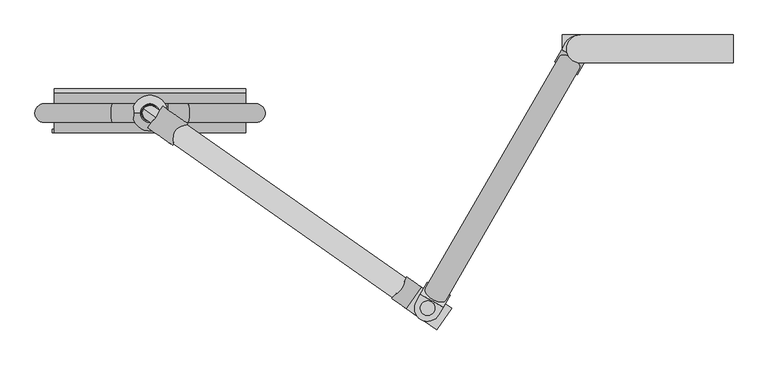
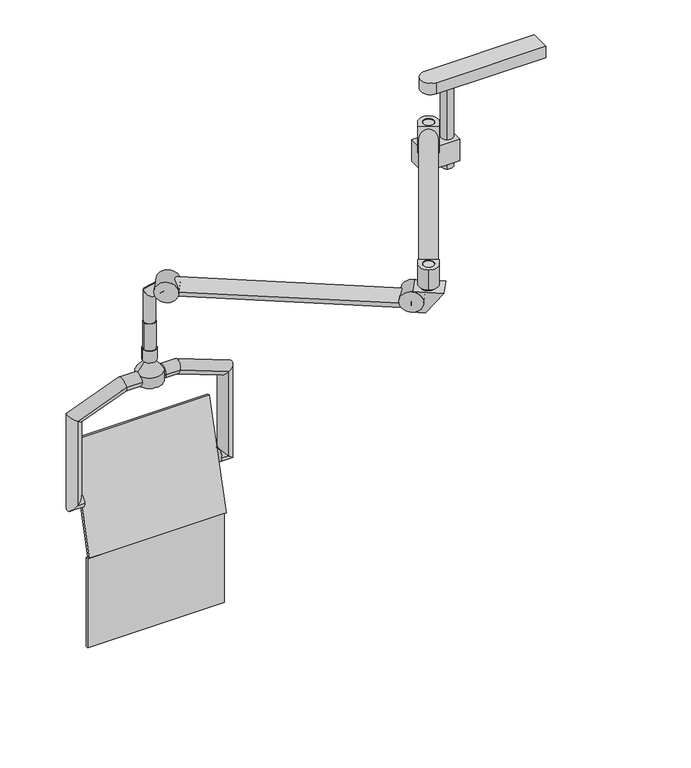
"""IFC4 building model written with IfcOpenShell, lengths in millimetres: proxy geometry."""

import ifcopenshell
import ifcopenshell.guid

model = None  # the IFC model being written
_history = None  # IfcOwnerHistory: only IFC2X3 demands one
_inside = {}  # id of a spatial element -> (the spatial element, [elements in it])
_under = {}  # id of a project, library or spatial element -> (it, [spatial elements below it])
_declared = {}  # id of a project -> (the project, [libraries it declares])
_typed = {}  # id of a type object -> (the type object, [elements of that type])
_made_of = {}  # id of a material, layer set ... -> (it, [elements and type objects made of it])


def new_model(schema):
    """Start an empty IFC model of exactly this schema.

    Asked for "IFC4X3", IfcOpenShell would pick the latest addendum, in which some entities
    have other attributes; the version numbers below select the first issue.
    IFC2X3 requires an IfcOwnerHistory on every rooted entity: one is made here for all.
    """
    global model, _history
    if schema == "IFC4X3":
        model = ifcopenshell.file(schema_version=(4, 3, 0, 0))
    else:
        model = ifcopenshell.file(schema=schema)
    _inside.clear()
    _under.clear()
    _declared.clear()
    _typed.clear()
    _made_of.clear()
    _history = None
    if model.schema == "IFC2X3":
        org = make("IfcOrganization", Name="unknown")
        user = make(
            "IfcPersonAndOrganization",
            ThePerson=make("IfcPerson", FamilyName="unknown"),
            TheOrganization=org,
        )
        app = make(
            "IfcApplication",
            ApplicationDeveloper=org,
            Version="unknown",
            ApplicationFullName="unknown",
            ApplicationIdentifier="unknown",
        )
        _history = make(
            "IfcOwnerHistory",
            OwningUser=user,
            OwningApplication=app,
            ChangeAction="ADDED",
            CreationDate=0,
        )
    return model


def make(cls, **values):
    """One entity of the class cls with the attributes given. An attribute that is None is left unset."""
    return model.create_entity(
        cls, **{name: value for name, value in values.items() if value is not None}
    )


def rooted(cls, **values):
    """An entity with a GlobalId (a new one), such as an element, a storey or a relation."""
    return make(cls, GlobalId=ifcopenshell.guid.new(), OwnerHistory=_history, **values)


def si_unit(unit_type, name, prefix=None):
    """IfcSIUnit, for example si_unit("LENGTHUNIT", "METRE", prefix="MILLI")."""
    return make("IfcSIUnit", UnitType=unit_type, Prefix=prefix, Name=name)


def assignment(units):
    """IfcUnitAssignment: the units of a project."""
    return None if units is None else make("IfcUnitAssignment", Units=units)


def point(xyz):
    """IfcCartesianPoint."""
    return None if xyz is None else make("IfcCartesianPoint", Coordinates=xyz)


def direction(xyz):
    """IfcDirection."""
    return None if xyz is None else make("IfcDirection", DirectionRatios=xyz)


def frame(location, z_axis=None, x_axis=None):
    """IfcAxis2Placement3D, a coordinate frame: its origin and axes. An axis left out is left unset."""
    return make(
        "IfcAxis2Placement3D",
        Location=point(location),
        Axis=direction(z_axis),
        RefDirection=direction(x_axis),
    )


def frame_2d(location, x_axis=None):
    """IfcAxis2Placement2D, a coordinate frame in the plane: its origin and x axis."""
    return make(
        "IfcAxis2Placement2D", Location=point(location), RefDirection=direction(x_axis)
    )


def origin():
    """The frame at (0, 0, 0) with its axes left unset."""
    return frame((0.0, 0.0, 0.0))


def place(relative_to, where):
    """IfcLocalPlacement: puts the frame where relative to a parent placement (None: the world)."""
    return make(
        "IfcLocalPlacement", PlacementRelTo=relative_to, RelativePlacement=where
    )


def context(
    kind, dimensions, precision=None, world=None, true_north=None, identifier=None
):
    """IfcGeometricRepresentationContext, for example the 3D "Model" context."""
    return make(
        "IfcGeometricRepresentationContext",
        ContextIdentifier=identifier,
        ContextType=kind,
        CoordinateSpaceDimension=dimensions,
        Precision=precision,
        WorldCoordinateSystem=world,
        TrueNorth=true_north,
    )


def project(units=None, contexts=None):
    """IfcProject with its units and contexts."""
    return rooted(
        "IfcProject",
        Name="project",
        RepresentationContexts=contexts,
        UnitsInContext=assignment(units),
    )


def spatial(cls, under=None, at=None, **own):
    """A site, building, storey or space (cls), placed at a placement, below another one or the project."""
    s = rooted(cls, ObjectPlacement=at, **own)
    if under is not None:
        _under.setdefault(under.id(), (under, []))[1].append(s)
    return s


def polyline(points):
    """IfcPolyline through the points."""
    return make("IfcPolyline", Points=[point(p) for p in points])


def circle_curve(where, radius):
    """IfcCircle in the frame where."""
    return make("IfcCircle", Position=where, Radius=radius)


def ellipse_curve(where, semi_axis1, semi_axis2):
    """IfcEllipse in the frame where."""
    return make(
        "IfcEllipse", Position=where, SemiAxis1=semi_axis1, SemiAxis2=semi_axis2
    )


def trimmed(basis, trim1, trim2, sense, master):
    """IfcTrimmedCurve: the piece of a basis curve between two trims."""
    return make(
        "IfcTrimmedCurve",
        BasisCurve=basis,
        Trim1=trim1,
        Trim2=trim2,
        SenseAgreement=sense,
        MasterRepresentation=master,
    )


def segment(curve, same_sense, transition):
    """IfcCompositeCurveSegment."""
    return make(
        "IfcCompositeCurveSegment",
        Transition=transition,
        SameSense=same_sense,
        ParentCurve=curve,
    )


def composite_curve(segments, self_intersect=None):
    """IfcCompositeCurve: segments joined end to end."""
    return make("IfcCompositeCurve", Segments=segments, SelfIntersect=self_intersect)


def outline(outer, holes=None, kind="AREA"):
    """IfcArbitraryClosedProfileDef: a profile drawn as a closed curve; with holes, ...WithVoids."""
    if holes is None:
        return make("IfcArbitraryClosedProfileDef", ProfileType=kind, OuterCurve=outer)
    return make(
        "IfcArbitraryProfileDefWithVoids",
        ProfileType=kind,
        OuterCurve=outer,
        InnerCurves=holes,
    )


def extrude(swept, where, along, depth):
    """IfcExtrudedAreaSolid: the profile swept, set in the frame where, extruded along a direction by depth."""
    return make(
        "IfcExtrudedAreaSolid",
        SweptArea=swept,
        Position=where,
        ExtrudedDirection=direction(along),
        Depth=depth,
    )


def shape(context_of_items, identifier, shape_type, items):
    """IfcShapeRepresentation: the items that make up one representation, for example the "Body"."""
    return make(
        "IfcShapeRepresentation",
        ContextOfItems=context_of_items,
        RepresentationIdentifier=identifier,
        RepresentationType=shape_type,
        Items=items,
    )


def source(mapping_origin, context_of_items, identifier, shape_type, items):
    """IfcRepresentationMap: a shape defined once, which mapped items show again and again."""
    return make(
        "IfcRepresentationMap",
        MappingOrigin=mapping_origin,
        MappedRepresentation=shape(context_of_items, identifier, shape_type, items),
    )


def transform(
    local_origin,
    x_axis=None,
    y_axis=None,
    z_axis=None,
    scale=None,
    scale2=None,
    scale3=None,
    uniform=True,
):
    """IfcCartesianTransformationOperator3D, or its non-uniform kind. x_axis, y_axis, z_axis: its Axis1, 2, 3."""
    if uniform:
        return make(
            "IfcCartesianTransformationOperator3D",
            Axis1=direction(x_axis),
            Axis2=direction(y_axis),
            LocalOrigin=point(local_origin),
            Scale=scale,
            Axis3=direction(z_axis),
        )
    return make(
        "IfcCartesianTransformationOperator3DnonUniform",
        Axis1=direction(x_axis),
        Axis2=direction(y_axis),
        LocalOrigin=point(local_origin),
        Scale=scale,
        Axis3=direction(z_axis),
        Scale2=scale2,
        Scale3=scale3,
    )


def mapped(mapping_source, mapping_target):
    """IfcMappedItem: shows the shape of a source again, moved by a transform."""
    return make(
        "IfcMappedItem", MappingSource=mapping_source, MappingTarget=mapping_target
    )


def made_of(thing, what):
    """Note that an element or type object is made of a material, layer set ...; save() writes the relation."""
    if what is not None:
        _made_of.setdefault(what.id(), (what, []))[1].append(thing)
    return thing


def element(
    cls,
    number,
    at=None,
    inside=None,
    cuts=None,
    type_object=None,
    material=None,
    context=None,
    identifier="Body",
    shape_type=None,
    held_by="IfcProductDefinitionShape",
    body=None,
    shapes=None,
    **own,
):
    """One element of the class cls, such as IfcWall. Its Tag is "e" and its number.

    at: its placement. inside: the storey or other place that contains it. cuts: it is an
    opening in that element (IfcRelVoidsElement). A single representation is given by context,
    identifier, shape_type and body (its items); several are given by shapes. held_by: the class
    of the entity that holds the representations. save() writes the other relations.
    """
    e = rooted(cls, Tag="e%d" % number, ObjectPlacement=at, **own)
    if body is not None:
        shapes = [shape(context, identifier, shape_type, body)]
    if shapes is not None:
        e.Representation = make(held_by, Representations=shapes)
    if inside is not None:
        _inside.setdefault(inside.id(), (inside, []))[1].append(e)
    if cuts is not None:
        rooted(
            "IfcRelVoidsElement", RelatingBuildingElement=cuts, RelatedOpeningElement=e
        )
    if type_object is not None:
        _typed.setdefault(type_object.id(), (type_object, []))[1].append(e)
    return made_of(e, material)


def aggregate(whole, parts):
    """IfcRelAggregates: a whole, such as a stair, and the parts it consists of."""
    return rooted("IfcRelAggregates", RelatingObject=whole, RelatedObjects=parts)


def save(model, path):
    """Write the relations noted so far, then the file.

    IfcRelAggregates (storeys below a building ...), IfcRelContainedInSpatialStructure (elements
    in a storey), IfcRelDefinesByType, IfcRelAssociatesMaterial and IfcRelDeclares: one each for
    every whole, place, type object, material and project.
    """
    for whole, parts in _under.values():
        aggregate(whole, parts)
    for where, things in _inside.values():
        rooted(
            "IfcRelContainedInSpatialStructure",
            RelatedElements=things,
            RelatingStructure=where,
        )
    for kind, things in _typed.values():
        rooted("IfcRelDefinesByType", RelatedObjects=things, RelatingType=kind)
    for what, things in _made_of.values():
        rooted("IfcRelAssociatesMaterial", RelatedObjects=things, RelatingMaterial=what)
    for by, libraries in _declared.values():
        rooted("IfcRelDeclares", RelatingContext=by, RelatedDefinitions=libraries)
    model.write(path)


def plane_surface(at):
    """IfcPlane: the flat surface through the origin of the frame at, square to its z axis."""
    return make("IfcPlane", Position=at)


def cylinder_surface(at, radius):
    """IfcCylindricalSurface: all points at the distance radius from the z axis of the frame at."""
    return make("IfcCylindricalSurface", Position=at, Radius=radius)


def revolved_surface(curve, axis_point, axis_direction):
    """IfcSurfaceOfRevolution: the curve turned about the line through axis_point along axis_direction."""
    return make(
        "IfcSurfaceOfRevolution",
        SweptCurve=make("IfcArbitraryOpenProfileDef", ProfileType="CURVE", Curve=curve),
        AxisPosition=make("IfcAxis1Placement", Location=point(axis_point), Axis=direction(axis_direction)),
    )


def advanced_brep(points, edges, surfaces, faces):
    """IfcAdvancedBrep: a solid bounded by faces that lie on surfaces and meet in shared edges.

    An edge is (start, end): straight between two places in points (the first is 0);
    or (start, end, curve); or (start, end, curve, False) where it runs against its curve.
    A face is (place in surfaces, loops), or (place, loops, False) where it looks against
    its surface's normal. A loop lists edges by number (the first is 1), with a minus sign
    where the edge is run from its end to its start. The first loop is the outer one.
    """
    corners = [point(p) for p in points]
    vertices = [make("IfcVertexPoint", VertexGeometry=c) for c in corners]
    made = []
    for start, end, *more in edges:
        made.append(
            make(
                "IfcEdgeCurve",
                EdgeStart=vertices[start],
                EdgeEnd=vertices[end],
                EdgeGeometry=more[0] if more else make("IfcPolyline", Points=[corners[start], corners[end]]),
                SameSense=more[1] if len(more) > 1 else True,
            )
        )
    hull = []
    for where, loops, *sense in faces:
        bounds = []
        for j, loop in enumerate(loops):
            ring = [make("IfcOrientedEdge", EdgeElement=made[abs(k) - 1], Orientation=k > 0) for k in loop]
            bounds.append(
                make(
                    "IfcFaceOuterBound" if j == 0 else "IfcFaceBound",
                    Bound=make("IfcEdgeLoop", EdgeList=ring),
                    Orientation=True,
                )
            )
        hull.append(make("IfcAdvancedFace", Bounds=bounds, FaceSurface=surfaces[where], SameSense=sense[0] if sense else True))
    return make("IfcAdvancedBrep", Outer=make("IfcClosedShell", CfsFaces=hull))


def specialty_equipment_1f62dfb1(model_context):
    return source(origin(), model_context, "Body", "SolidModel", [
        extrude(outline(polyline([(-1308.5498803, -214.0929718), (-1308.5498803, -224.0929718), (-1820.277121, -224.0929718), (-1820.277121, -214.0929718), (-1308.5498803, -214.0929718)])), frame((0.0, 0.0, 1187.1960322), z_axis=(0.0, 0.0, 1.0), x_axis=(1.0, 0.0, 0.0)), (0.0, 0.0, 1.0), 351.9023414),
        extrude(outline(polyline([(-106.9189718, 1937.7690322), (-213.741259, 1539.0983737), (-224.0929718, 1539.0983737), (-116.5772657, 1940.3569354), (-106.9189718, 1937.7690322)])), frame((-1814.2235333, 0.0, 0.0), z_axis=(1.0, 0.0, 0.0), x_axis=(0.0, 1.0, 0.0)), (0.0, 0.0, 1.0), 511.4259107),
        advanced_brep(
        [(-1815.0116282, -196.4088944, 1739.5010997), (-1815.0116282, -146.4088944, 1739.5010997), (-1841.0777611, -196.4088944, 1739.5010997), (-1841.0777611, -146.4088944, 1739.5010997), (-1841.0777611, -196.4088944, 2072.6198496), (-1841.0777611, -146.4088944, 2072.6198496), (-1659.029578, -196.4088944, 2142.5015997), (-1659.029578, -146.4088944, 2142.5015997), (-1511.010578, -196.4088944, 2142.5015997), (-1511.010578, -146.4088944, 2142.5015997), (-1457.991578, -196.4088944, 2142.5015997), (-1457.991578, -146.4088944, 2142.5015997), (-1275.9433948, -196.4088944, 2072.6198496), (-1275.9433948, -146.4088944, 2072.6198496), (-1275.9433948, -196.4088944, 1739.5010997), (-1275.9433948, -146.4088944, 1739.5010997), (-1302.0095277, -196.4088944, 1739.5010997), (-1302.0095277, -146.4088944, 1739.5010997)],
        [
            (0, 1, circle_curve(frame((-1815.0116282, -171.4088944, 1739.5010997), z_axis=(1.0, 0.0, 0.0), x_axis=(0.0, 1.0, 0.0)), 25.0)),
            (1, 0, circle_curve(frame((-1815.0116282, -171.4088944, 1739.5010997), z_axis=(1.0, 0.0, 0.0), x_axis=(0.0, 1.0, 0.0)), 25.0)),
            (0, 2),
            (2, 3, ellipse_curve(frame((-1841.0777611, -171.4088944, 1739.5010997), z_axis=(0.7071067811865722, 0.0, -0.7071067811865229), x_axis=(0.7071067811865227, 0.0, 0.7071067811865723)), 35.3553391, 25.0)),
            (3, 1),
            (3, 2, ellipse_curve(frame((-1841.0777611, -171.4088944, 1739.5010997), z_axis=(0.7071067811865722, 0.0, -0.7071067811865229), x_axis=(0.7071067811865227, 0.0, 0.7071067811865723)), 35.3553391, 25.0)),
            (2, 4),
            (4, 5, ellipse_curve(frame((-1841.0777611, -171.4088944, 2072.6198496), z_axis=(-0.5664062369248045, 0.0, -0.824126188622035), x_axis=(0.824126188622035, 0.0, -0.5664062369248047)), 30.3351603, 25.0)),
            (5, 3),
            (5, 4, ellipse_curve(frame((-1841.0777611, -171.4088944, 2072.6198496), z_axis=(-0.5664062369248045, 0.0, -0.824126188622035), x_axis=(0.824126188622035, 0.0, -0.5664062369248047)), 30.3351603, 25.0)),
            (4, 6),
            (6, 7, ellipse_curve(frame((-1659.029578, -171.4088944, 2142.5015997), z_axis=(-0.9832549075639483, 0.0, -0.1822355254921815), x_axis=(0.1822355254921817, 0.0, -0.9832549075639483)), 25.4257566, 25.0)),
            (7, 5),
            (7, 6, ellipse_curve(frame((-1659.029578, -171.4088944, 2142.5015997), z_axis=(-0.9832549075639483, 0.0, -0.1822355254921815), x_axis=(0.1822355254921817, 0.0, -0.9832549075639483)), 25.4257566, 25.0)),
            (6, 8),
            (8, 9, circle_curve(frame((-1511.010578, -171.4088944, 2142.5015997), z_axis=(-1.0, 0.0, 0.0), x_axis=(0.0, 1.0, 0.0)), 25.0)),
            (9, 7),
            (9, 8, circle_curve(frame((-1511.010578, -171.4088944, 2142.5015997), z_axis=(-1.0, 0.0, 0.0), x_axis=(0.0, 1.0, 0.0)), 25.0)),
            (8, 10),
            (10, 11, ellipse_curve(frame((-1457.991578, -171.4088944, 2142.5015997), z_axis=(-0.9832549075639615, 0.0, 0.18223552549211058), x_axis=(-0.1822355254921099, 0.0, -0.9832549075639615)), 25.4257566, 25.0)),
            (11, 9),
            (11, 10, ellipse_curve(frame((-1457.991578, -171.4088944, 2142.5015997), z_axis=(-0.9832549075639615, 0.0, 0.18223552549211058), x_axis=(-0.1822355254921099, 0.0, -0.9832549075639615)), 25.4257566, 25.0)),
            (10, 12),
            (12, 13, ellipse_curve(frame((-1275.9433948, -171.4088944, 2072.6198496), z_axis=(-0.5664062369248606, 0.0, 0.8241261886219965), x_axis=(-0.8241261886219965, 0.0, -0.5664062369248606)), 30.3351603, 25.0)),
            (13, 11),
            (13, 12, ellipse_curve(frame((-1275.9433948, -171.4088944, 2072.6198496), z_axis=(-0.5664062369248606, 0.0, 0.8241261886219965), x_axis=(-0.8241261886219965, 0.0, -0.5664062369248606)), 30.3351603, 25.0)),
            (12, 14),
            (14, 15, ellipse_curve(frame((-1275.9433948, -171.4088944, 1739.5010997), z_axis=(0.7071067811865236, 0.0, 0.7071067811865713), x_axis=(-0.7071067811865712, 0.0, 0.7071067811865237)), 35.3553391, 25.0)),
            (15, 13),
            (15, 14, ellipse_curve(frame((-1275.9433948, -171.4088944, 1739.5010997), z_axis=(0.7071067811865236, 0.0, 0.7071067811865713), x_axis=(-0.7071067811865712, 0.0, 0.7071067811865237)), 35.3553391, 25.0)),
            (16, 17, circle_curve(frame((-1302.0095277, -171.4088944, 1739.5010997), z_axis=(-1.0, 0.0, 0.0), x_axis=(0.0, 1.0, 0.0)), 25.0)),
            (17, 16, circle_curve(frame((-1302.0095277, -171.4088944, 1739.5010997), z_axis=(-1.0, 0.0, 0.0), x_axis=(0.0, 1.0, 0.0)), 25.0)),
            (14, 16),
            (17, 15),
        ],
        [
            plane_surface(frame((-1815.0116282, -171.4088944, 1739.5010997), z_axis=(1.0, 0.0, 0.0), x_axis=(0.0, 1.0, 0.0))),
            cylinder_surface(frame((-1815.0116282, -171.4088944, 1739.5010997), z_axis=(1.0, 0.0, 0.0), x_axis=(0.0, 1.0, 0.0)), 25.0),
            cylinder_surface(frame((-1841.0777611, -171.4088944, 1739.5010997), z_axis=(0.0, 0.0, -1.0), x_axis=(0.0, 1.0, 0.0)), 25.0),
            cylinder_surface(frame((-1841.0777611, -171.4088944, 2072.6198496), z_axis=(-0.9335804264971899, 0.0, -0.358367949545335), x_axis=(0.0, 1.0, 0.0)), 25.0),
            cylinder_surface(frame((-1659.029578, -171.4088944, 2142.5015997), z_axis=(-1.0, 0.0, 0.0), x_axis=(0.0, 1.0, 0.0)), 25.0),
            cylinder_surface(frame((-1511.010578, -171.4088944, 2142.5015997), z_axis=(-1.0, 0.0, 0.0), x_axis=(0.0, 1.0, 0.0)), 25.0),
            cylinder_surface(frame((-1457.991578, -171.4088944, 2142.5015997), z_axis=(-0.9335804264972131, 0.0, 0.3583679495452672), x_axis=(0.0, 1.0, 0.0)), 25.0),
            cylinder_surface(frame((-1275.9433948, -171.4088944, 2072.6198496), z_axis=(0.0, 0.0, 1.0), x_axis=(0.0, 1.0, 0.0)), 25.0),
            plane_surface(frame((-1302.0095277, -171.4088944, 1739.5010997), z_axis=(-1.0, 0.0, 0.0), x_axis=(0.0, 1.0, 0.0))),
            cylinder_surface(frame((-1275.9433948, -171.4088944, 1739.5010997), z_axis=(1.0, 0.0, 0.0), x_axis=(0.0, 1.0, 0.0)), 25.0),
        ],
        [
            (0, [[1, 2]]),
            (1, [[-1, 3, 4, 5]]),
            (1, [[-2, -5, 6, -3]]),
            (2, [[-4, 7, 8, 9]]),
            (2, [[-6, -9, 10, -7]]),
            (3, [[-8, 11, 12, 13]]),
            (3, [[-10, -13, 14, -11]]),
            (4, [[-12, 15, 16, 17]]),
            (4, [[-14, -17, 18, -15]]),
            (5, [[-16, 19, 20, 21]]),
            (5, [[-18, -21, 22, -19]]),
            (6, [[-20, 23, 24, 25]]),
            (6, [[-22, -25, 26, -23]]),
            (7, [[-24, 27, 28, 29]]),
            (7, [[-26, -29, 30, -27]]),
            (8, [[31, 32]]),
            (9, [[-28, 33, -32, 34]]),
            (9, [[-30, -34, -31, -33]]),
        ],
    ),
        advanced_brep(
        [(-1511.010578, -171.4088944, 2162.5015997), (-1606.010578, -171.4088944, 2162.5015997), (-1606.010578, -171.4088944, 2122.5015997), (-1511.010578, -171.4088944, 2122.5015997), (-1543.6077108, -171.4088944, 2202.7557064), (-1573.4134451, -171.4088944, 2202.7557064), (-1543.6077108, -171.4088944, 2207.5015997), (-1573.4134451, -171.4088944, 2207.5015997), (-1533.510578, -171.4088944, 2207.5015997), (-1583.510578, -171.4088944, 2207.5015997), (-1533.510578, -171.4088944, 2252.5015997), (-1583.510578, -171.4088944, 2252.5015997), (-1536.510578, -171.4088944, 2252.5015997), (-1580.510578, -171.4088944, 2252.5015997), (-1536.510578, -171.4088944, 2358.5015997), (-1580.510578, -171.4088944, 2358.5015997), (-1558.510578, -171.4088944, 2358.5015997), (-1558.510578, -171.4088944, 2122.5015997)],
        [
            (0, 1, circle_curve(frame((-1558.510578, -171.4088944, 2162.5015997), z_axis=(0.0, 0.0, -1.0), x_axis=(-1.0, 0.0, 0.0)), 47.5)),
            (1, 2),
            (2, 3, circle_curve(frame((-1558.510578, -171.4088944, 2122.5015997), z_axis=(0.0, 0.0, 1.0), x_axis=(-1.0, 0.0, 0.0)), 47.5)),
            (3, 0),
            (1, 0, circle_curve(frame((-1558.510578, -171.4088944, 2162.5015997), z_axis=(0.0, 0.0, -1.0), x_axis=(-1.0, 0.0, 0.0)), 47.5)),
            (3, 2, circle_curve(frame((-1558.510578, -171.4088944, 2122.5015997), z_axis=(0.0, 0.0, 1.0), x_axis=(-1.0, 0.0, 0.0)), 47.5)),
            (4, 5, circle_curve(frame((-1558.510578, -171.4088944, 2202.7557064), z_axis=(0.0, 0.0, -1.0), x_axis=(-1.0, 0.0, 0.0)), 14.9028671)),
            (5, 1),
            (0, 4),
            (5, 4, circle_curve(frame((-1558.510578, -171.4088944, 2202.7557064), z_axis=(0.0, 0.0, -1.0), x_axis=(-1.0, 0.0, 0.0)), 14.9028671)),
            (6, 7, circle_curve(frame((-1558.510578, -171.4088944, 2207.5015997), z_axis=(0.0, 0.0, -1.0), x_axis=(-1.0, 0.0, 0.0)), 14.9028671)),
            (7, 5),
            (4, 6),
            (7, 6, circle_curve(frame((-1558.510578, -171.4088944, 2207.5015997), z_axis=(0.0, 0.0, -1.0), x_axis=(-1.0, 0.0, 0.0)), 14.9028671)),
            (8, 9, circle_curve(frame((-1558.510578, -171.4088944, 2207.5015997), z_axis=(0.0, 0.0, -1.0), x_axis=(-1.0, 0.0, 0.0)), 25.0)),
            (9, 7),
            (6, 8),
            (9, 8, circle_curve(frame((-1558.510578, -171.4088944, 2207.5015997), z_axis=(0.0, 0.0, -1.0), x_axis=(-1.0, 0.0, 0.0)), 25.0)),
            (10, 11, circle_curve(frame((-1558.510578, -171.4088944, 2252.5015997), z_axis=(0.0, 0.0, -1.0), x_axis=(-1.0, 0.0, 0.0)), 25.0)),
            (11, 9),
            (8, 10),
            (11, 10, circle_curve(frame((-1558.510578, -171.4088944, 2252.5015997), z_axis=(0.0, 0.0, -1.0), x_axis=(-1.0, 0.0, 0.0)), 25.0)),
            (12, 13, circle_curve(frame((-1558.510578, -171.4088944, 2252.5015997), z_axis=(0.0, 0.0, -1.0), x_axis=(-1.0, 0.0, 0.0)), 22.0)),
            (13, 11),
            (10, 12),
            (13, 12, circle_curve(frame((-1558.510578, -171.4088944, 2252.5015997), z_axis=(0.0, 0.0, -1.0), x_axis=(-1.0, 0.0, 0.0)), 22.0)),
            (14, 15, circle_curve(frame((-1558.510578, -171.4088944, 2358.5015997), z_axis=(0.0, 0.0, -1.0), x_axis=(-1.0, 0.0, 0.0)), 22.0)),
            (15, 13),
            (12, 14),
            (15, 14, circle_curve(frame((-1558.510578, -171.4088944, 2358.5015997), z_axis=(0.0, 0.0, -1.0), x_axis=(-1.0, 0.0, 0.0)), 22.0)),
            (16, 15),
            (14, 16),
            (2, 17),
            (17, 3),
        ],
        [
            cylinder_surface(frame((-1558.510578, -171.4088944, 2358.5015997), z_axis=(0.0, 0.0, 1.0), x_axis=(-1.0, 0.0, 0.0)), 47.5),
            revolved_surface(polyline([(-1606.010578, -171.4088944, 2162.5015997), (-1573.4134451, -171.4088944, 2202.7557064)]), (-1558.510578, -171.4088944, 2358.5015997), (0.0, 0.0, 1.0)),
            cylinder_surface(frame((-1558.510578, -171.4088944, 2358.5015997), z_axis=(0.0, 0.0, 1.0), x_axis=(-1.0, 0.0, 0.0)), 14.9028671),
            plane_surface(frame((-1558.510578, -171.4088944, 2207.5015997), z_axis=(0.0, 0.0, -1.0), x_axis=(-1.0, 0.0, 0.0))),
            cylinder_surface(frame((-1558.510578, -171.4088944, 2358.5015997), z_axis=(0.0, 0.0, 1.0), x_axis=(-1.0, 0.0, 0.0)), 25.0),
            plane_surface(frame((-1558.510578, -171.4088944, 2252.5015997), z_axis=(0.0, 0.0, 1.0), x_axis=(-1.0, 0.0, 0.0))),
            cylinder_surface(frame((-1558.510578, -171.4088944, 2358.5015997), z_axis=(0.0, 0.0, 1.0), x_axis=(-1.0, 0.0, 0.0)), 22.0),
            plane_surface(frame((-1558.510578, -171.4088944, 2358.5015997), z_axis=(0.0, 0.0, 1.0), x_axis=(-1.0, 0.0, 0.0))),
            plane_surface(frame((-1558.510578, -171.4088944, 2122.5015997), z_axis=(0.0, 0.0, -1.0), x_axis=(-1.0, 0.0, 0.0))),
        ],
        [
            (0, [[1, 2, 3, 4]]),
            (0, [[5, -4, 6, -2]]),
            (1, [[7, 8, -1, 9]]),
            (1, [[10, -9, -5, -8]]),
            (2, [[11, 12, -7, 13]]),
            (2, [[14, -13, -10, -12]]),
            (3, [[15, 16, -11, 17]]),
            (3, [[18, -17, -14, -16]]),
            (4, [[19, 20, -15, 21]]),
            (4, [[22, -21, -18, -20]]),
            (5, [[23, 24, -19, 25]]),
            (5, [[26, -25, -22, -24]]),
            (6, [[27, 28, -23, 29]]),
            (6, [[30, -29, -26, -28]]),
            (7, [[31, -27, 32]]),
            (7, [[-32, -30, -31]]),
            (8, [[-3, 33, 34]]),
            (8, [[-6, -34, -33]]),
        ],
    ),
        extrude(outline(composite_curve([segment(trimmed(circle_curve(frame_2d((-817.9316184, -691.0838862)), 25.0), [point((-797.4528173, -705.4232971))], [point((-838.4104195, -676.7444753))], False, "CARTESIAN"), True, "CONTINUOUS"), segment(trimmed(circle_curve(frame_2d((-817.9316184, -691.0838862)), 25.0), [point((-838.4104195, -676.7444753))], [point((-797.4528173, -705.4232971))], False, "CARTESIAN"), True, "CONTINUOUS")], self_intersect=False)), frame((0.0, 0.0, 2548.0), z_axis=(0.0, 0.0, 1.0), x_axis=(1.0, 0.0, 0.0)), (0.0, 0.0, 1.0), 12.0),
        advanced_brep(
        [(-1518.537676, -199.412017, 2480.6244111), (-1537.3315284, -186.2524198, 2513.3904929), (-1542.1340187, -182.8896799, 2460.4543619), (-1574.9001005, -159.9466224, 2481.2770439), (-1542.1340187, -182.8896799, 2358.5015997), (-1574.9001005, -159.9466224, 2358.5015997)],
        [
            (0, 1, circle_curve(frame((-1527.9346022, -192.8322184, 2497.007452), z_axis=(0.6710100716628233, -0.469846310392951, 0.5735764363510616), x_axis=(-0.469846310392963, 0.32898992833717694, 0.8191520442889804)), 20.0)),
            (1, 0, circle_curve(frame((-1527.9346022, -192.8322184, 2497.007452), z_axis=(0.6710100716628233, -0.469846310392951, 0.5735764363510616), x_axis=(-0.469846310392963, 0.32898992833717694, 0.8191520442889804)), 20.0)),
            (0, 2),
            (2, 3, ellipse_curve(frame((-1558.5170596, -171.4181512, 2470.8657029), z_axis=(0.3782423204790732, -0.26484812406937935, 0.8870108331782293), x_axis=(0.7265967373044235, -0.5087685126991486, -0.4617486132350187)), 22.5476389, 20.0)),
            (3, 1),
            (3, 2, ellipse_curve(frame((-1558.5170596, -171.4181512, 2470.8657029), z_axis=(0.3782423204790732, -0.26484812406937935, 0.8870108331782293), x_axis=(0.7265967373044235, -0.5087685126991486, -0.4617486132350187)), 22.5476389, 20.0)),
            (4, 5, circle_curve(frame((-1558.5170596, -171.4181512, 2358.5015997), z_axis=(0.0, 0.0, -1.0), x_axis=(-0.8191520442889983, 0.5735764363510367, 0.0)), 20.0)),
            (5, 4, circle_curve(frame((-1558.5170596, -171.4181512, 2358.5015997), z_axis=(0.0, 0.0, -1.0), x_axis=(-0.8191520442889983, 0.5735764363510367, 0.0)), 20.0)),
            (2, 4),
            (5, 3),
        ],
        [
            plane_surface(frame((-1530.3431121, -196.271927, 2497.007452), z_axis=(0.6710100716628262, -0.469846310392948, 0.5735764363510606), x_axis=(0.5735764363510462, 0.8191520442889917, 0.0))),
            cylinder_surface(frame((-1527.9346022, -192.8322184, 2497.007452), z_axis=(0.6710100716628243, -0.4698463103929517, 0.5735764363510625), x_axis=(-0.469846310392963, 0.32898992833717694, 0.8191520442889804)), 20.0),
            plane_surface(frame((-1560.9255695, -174.8578598, 2358.5015997), z_axis=(0.0, 0.0, -1.0000000000000002), x_axis=(0.5735764363510355, 0.8191520442889993, 0.0))),
            cylinder_surface(frame((-1558.5170596, -171.4181512, 2470.8657029), z_axis=(0.0, 0.0, 1.0), x_axis=(-0.8191520442889983, 0.5735764363510367, 0.0)), 20.0),
        ],
        [
            (0, [[1, 2]]),
            (1, [[-1, 3, 4, 5]]),
            (1, [[-2, -5, 6, -3]]),
            (2, [[7, 8]]),
            (3, [[-4, 9, -8, 10]]),
            (3, [[-6, -10, -7, -9]]),
        ],
    ),
        extrude(outline(composite_curve([segment(trimmed(circle_curve(frame_2d((0.0, -40.5)), 40.5), [point((0.0, -81.0))], [point((0.0, 0.0))], False, "CARTESIAN"), True, "CONTINUOUS"), segment(trimmed(circle_curve(frame_2d((0.0, -40.5)), 40.5), [point((0.0, 0.0))], [point((0.0, -81.0))], False, "CARTESIAN"), True, "CONTINUOUS")], self_intersect=False)), frame((-1564.467111, -210.4223646, 2497.076263), z_axis=(0.5735764363510498, 0.8191520442889892, 0.0), x_axis=(0.0, 0.0, -1.0)), (0.0, 0.0, 1.0), 70.0),
        extrude(outline(composite_curve([segment(trimmed(circle_curve(frame_2d((-9.0, 0.0)), 31.5), [point((-9.0, 31.5))], [point((-9.0, -31.5))], False, "CARTESIAN"), True, "CONTINUOUS"), segment(trimmed(circle_curve(frame_2d((-9.0, 0.0)), 31.5), [point((-9.0, -31.5))], [point((-9.0, 31.5))], False, "CARTESIAN"), True, "CONTINUOUS")], self_intersect=False)), frame((-858.9430762, -661.2651279, 2507.5009045), z_axis=(-0.8191520442889892, 0.5735764363510497, 0.0), x_axis=(0.0, 0.0, 1.0)), (0.0, 0.0, 1.0), 795.1403574),
        extrude(outline(composite_curve([segment(trimmed(circle_curve(frame_2d((0.0, -40.5)), 40.5), [point((0.0, -81.0))], [point((0.0, 0.0))], False, "CARTESIAN"), True, "CONTINUOUS"), segment(trimmed(circle_curve(frame_2d((0.0, -40.5)), 40.5), [point((0.0, 0.0))], [point((0.0, -81.0))], False, "CARTESIAN"), True, "CONTINUOUS")], self_intersect=False)), frame((-912.1939092, -666.7056038, 2507.5), z_axis=(0.5735764363510484, 0.8191520442889901, 0.0), x_axis=(0.0, 0.0, -1.0)), (0.0, 0.0, 1.0), 70.0),
        extrude(outline(composite_curve([segment(trimmed(circle_curve(frame_2d((89.9999999, -40.5)), 40.5), [point((89.9999999, 0.0))], [point((89.9999999, -81.0))], True, "CARTESIAN"), True, "CONTINUOUS"), segment(polyline([(89.9999999, -81.0), (45.537878, -81.0), (-15.5, 0.0), (89.9999999, 0.0)]), True, "CONTINUOUS")], self_intersect=False)), frame((-805.2945675, -741.5573287, 2548.0), z_axis=(0.5735764363510509, 0.8191520442889884, 0.0), x_axis=(-0.8191520442889884, 0.5735764363510509, 0.0)), (0.0, 0.0, 1.0), 70.0),
        advanced_brep(
        [(-835.543695, -655.8347514, 2639.0), (-774.9219167, -690.8347514, 2639.0), (-756.4219167, -658.7918115, 2560.0), (-817.043695, -623.7918115, 2560.0), (-846.793695, -675.320323, 2639.0), (-833.9828058, -723.1312122, 2639.0), (-786.1719167, -710.320323, 2639.0), (-826.2328058, -709.7078184, 2639.0), (-806.7328058, -675.9328277, 2639.0), (-846.793695, -675.320323, 2560.0), (-786.1719167, -710.320323, 2560.0), (-833.9828058, -723.1312122, 2560.0), (-826.2328058, -709.7078184, 2560.0), (-806.7328058, -675.9328277, 2560.0)],
        [
            (0, 1),
            (1, 2),
            (2, 3),
            (3, 0),
            (4, 5, circle_curve(frame((-816.4828058, -692.820323, 2639.0), z_axis=(0.0, 0.0, 1.0), x_axis=(0.5000000000000041, 0.8660254037844363, 0.0)), 35.0)),
            (5, 6, circle_curve(frame((-816.4828058, -692.820323, 2639.0), z_axis=(0.0, 0.0, 1.0), x_axis=(0.5000000000000041, 0.8660254037844363, 0.0)), 35.0)),
            (6, 1),
            (0, 4),
            (7, 8, circle_curve(frame((-816.4828058, -692.820323, 2639.0), z_axis=(0.0, 0.0, -1.0), x_axis=(0.5000000000000041, 0.8660254037844363, 0.0)), 19.5)),
            (8, 7, circle_curve(frame((-816.4828058, -692.820323, 2639.0), z_axis=(0.0, 0.0, -1.0), x_axis=(0.5000000000000041, 0.8660254037844363, 0.0)), 19.5)),
            (9, 3),
            (2, 10),
            (10, 11, circle_curve(frame((-816.4828058, -692.820323, 2560.0), z_axis=(0.0, 0.0, -1.0), x_axis=(0.5000000000000041, 0.8660254037844363, 0.0)), 35.0)),
            (11, 9, circle_curve(frame((-816.4828058, -692.820323, 2560.0), z_axis=(0.0, 0.0, -1.0), x_axis=(0.5000000000000041, 0.8660254037844363, 0.0)), 35.0)),
            (12, 13, circle_curve(frame((-816.4828058, -692.820323, 2560.0), z_axis=(0.0, 0.0, 1.0), x_axis=(0.5000000000000041, 0.8660254037844363, 0.0)), 19.5)),
            (13, 12, circle_curve(frame((-816.4828058, -692.820323, 2560.0), z_axis=(0.0, 0.0, 1.0), x_axis=(0.5000000000000041, 0.8660254037844363, 0.0)), 19.5)),
            (6, 10),
            (9, 4),
            (7, 12),
            (13, 8),
            (5, 11),
        ],
        [
            plane_surface(frame((-817.043695, -623.7918115, 2560.0), z_axis=(0.45279827871685, 0.7842696243172992, 0.4241401598107167), x_axis=(0.8660254037844325, -0.5000000000000109, 0.0))),
            plane_surface(frame((-798.9828058, -662.5094339, 2639.0), z_axis=(0.0, 0.0, 1.0), x_axis=(0.8660254037844363, -0.5000000000000041, 0.0))),
            plane_surface(frame((-798.9828058, -662.5094339, 2560.0), z_axis=(0.0, 0.0, -1.0), x_axis=(-0.8660254037844363, 0.5000000000000041, 0.0))),
            plane_surface(frame((-786.1719167, -710.320323, 2639.0), z_axis=(0.8660254037844377, -0.5000000000000019, 0.0), x_axis=(0.0, 0.0, -1.0))),
            plane_surface(frame((-817.043695, -623.7918115, 2639.0), z_axis=(-0.8660254037844335, 0.5000000000000091, 0.0), x_axis=(0.0, 0.0, -1.0))),
            revolved_surface(polyline([(-806.7328057999999, -675.9328276262036, 2560.0), (-806.7328057999999, -675.9328276262036, 2639.0)]), (-816.4828058, -692.820323, 2560.0), (0.0, 0.0, -1.0)),
            cylinder_surface(frame((-816.4828058, -692.820323, 2560.0), z_axis=(0.0, 0.0, 1.0), x_axis=(0.5000000000000041, 0.8660254037844363, 0.0)), 35.0),
        ],
        [
            (0, [[1, 2, 3, 4]]),
            (1, [[5, 6, 7, -1, 8], [9, 10]]),
            (2, [[11, -3, 12, 13, 14], [15, 16]]),
            (3, [[-12, -2, -7, 17]]),
            (4, [[-11, 18, -8, -4]]),
            (5, [[-9, 19, -16, 20]]),
            (5, [[-10, -20, -15, -19]]),
            (6, [[21, -13, -17, -6]]),
            (6, [[-21, -5, -18, -14]]),
        ],
    ),
        extrude(outline(composite_curve([segment(trimmed(circle_curve(frame_2d((-816.4828058, -692.820323)), 19.5), [point((-806.7328058, -675.9328277))], [point((-826.2328058, -709.7078184))], False, "CARTESIAN"), True, "CONTINUOUS"), segment(trimmed(circle_curve(frame_2d((-816.4828058, -692.820323)), 19.5), [point((-826.2328058, -709.7078184))], [point((-806.7328058, -675.9328277))], False, "CARTESIAN"), True, "CONTINUOUS")], self_intersect=False)), frame((0.0, 0.0, 2560.0), z_axis=(0.0, 0.0, 1.0), x_axis=(1.0, 0.0, 0.0)), (0.0, 0.0, 1.0), 77.0),
        advanced_brep(
        [(-397.4219167, -36.9855716, 2639.0), (-458.043695, -1.9855716, 2639.0), (-476.543695, -34.0285115, 2560.0), (-415.9219167, -69.0285115, 2560.0), (-398.9828058, 30.3108891, 2639.0), (-446.793695, 17.5, 2639.0), (-386.1719167, -17.5, 2639.0), (-406.7328058, 16.8874954, 2639.0), (-426.2328058, -16.8874954, 2639.0), (-386.1719167, -17.5, 2560.0), (-446.793695, 17.5, 2560.0), (-398.9828058, 30.3108891, 2560.0), (-406.7328058, 16.8874954, 2560.0), (-426.2328058, -16.8874954, 2560.0)],
        [
            (0, 1),
            (1, 2),
            (2, 3),
            (3, 0),
            (4, 5, circle_curve(frame((-416.4828058, 0.0, 2639.0), z_axis=(0.0, 0.0, 1.0), x_axis=(0.5000000000000041, 0.8660254037844363, 0.0)), 35.0)),
            (5, 1),
            (0, 6),
            (6, 4, circle_curve(frame((-416.4828058, 0.0, 2639.0), z_axis=(0.0, 0.0, 1.0), x_axis=(0.5000000000000041, 0.8660254037844363, 0.0)), 35.0)),
            (7, 8, circle_curve(frame((-416.4828058, 0.0, 2639.0), z_axis=(0.0, 0.0, -1.0), x_axis=(0.5000000000000041, 0.8660254037844363, 0.0)), 19.5)),
            (8, 7, circle_curve(frame((-416.4828058, 0.0, 2639.0), z_axis=(0.0, 0.0, -1.0), x_axis=(0.5000000000000041, 0.8660254037844363, 0.0)), 19.5)),
            (9, 3),
            (2, 10),
            (10, 11, circle_curve(frame((-416.4828058, 0.0, 2560.0), z_axis=(0.0, 0.0, -1.0), x_axis=(0.5000000000000041, 0.8660254037844363, 0.0)), 35.0)),
            (11, 9, circle_curve(frame((-416.4828058, 0.0, 2560.0), z_axis=(0.0, 0.0, -1.0), x_axis=(0.5000000000000041, 0.8660254037844363, 0.0)), 35.0)),
            (12, 13, circle_curve(frame((-416.4828058, 0.0, 2560.0), z_axis=(0.0, 0.0, 1.0), x_axis=(0.5000000000000041, 0.8660254037844363, 0.0)), 19.5)),
            (13, 12, circle_curve(frame((-416.4828058, 0.0, 2560.0), z_axis=(0.0, 0.0, 1.0), x_axis=(0.5000000000000041, 0.8660254037844363, 0.0)), 19.5)),
            (9, 6),
            (5, 10),
            (8, 13),
            (12, 7),
            (11, 4),
        ],
        [
            plane_surface(frame((-458.043695, -1.9855716, 2639.0), z_axis=(-0.4527982787168536, -0.7842696243172963, 0.4241401598107182), x_axis=(0.8660254037844322, -0.5000000000000112, 0.0))),
            plane_surface(frame((-477.543695, -35.7605623, 2639.0), z_axis=(0.0, 0.0, 1.0000000000000002), x_axis=(-0.5000000000000012, -0.866025403784438, 0.0))),
            plane_surface(frame((-477.543695, -35.7605623, 2560.0), z_axis=(0.0, 0.0, -1.0000000000000002), x_axis=(0.5000000000000012, 0.866025403784438, 0.0))),
            plane_surface(frame((-415.9219167, -69.0285115, 2639.0), z_axis=(0.8660254037844418, -0.49999999999999467, 0.0), x_axis=(0.0, 0.0, -1.0))),
            plane_surface(frame((-446.793695, 17.5, 2639.0), z_axis=(-0.866025403784438, 0.5000000000000012, 0.0), x_axis=(0.0, 0.0, -1.0))),
            revolved_surface(polyline([(-406.73280579999994, 16.887495373796508, 2560.0), (-406.73280579999994, 16.887495373796508, 2639.0)]), (-416.4828058, 0.0, 2560.0), (0.0, 0.0, -1.0)),
            cylinder_surface(frame((-416.4828058, 0.0, 2560.0), z_axis=(0.0, 0.0, 1.0), x_axis=(0.5000000000000041, 0.8660254037844363, 0.0)), 35.0),
        ],
        [
            (0, [[1, 2, 3, 4]]),
            (1, [[5, 6, -1, 7, 8], [9, 10]]),
            (2, [[11, -3, 12, 13, 14], [15, 16]]),
            (3, [[-11, 17, -7, -4]]),
            (4, [[-12, -2, -6, 18]]),
            (5, [[-10, 19, -15, 20]]),
            (5, [[-9, -20, -16, -19]]),
            (6, [[21, -8, -17, -14]]),
            (6, [[-21, -13, -18, -5]]),
        ],
    ),
        extrude(outline(composite_curve([segment(trimmed(circle_curve(frame_2d((-416.4828058, 0.0)), 19.5), [point((-426.2328058, -16.8874954))], [point((-406.7328058, 16.8874954))], False, "CARTESIAN"), True, "CONTINUOUS"), segment(trimmed(circle_curve(frame_2d((-416.4828058, 0.0)), 19.5), [point((-406.7328058, 16.8874954))], [point((-426.2328058, -16.8874954))], False, "CARTESIAN"), True, "CONTINUOUS")], self_intersect=False)), frame((0.0, 0.0, 2560.0), z_axis=(0.0, 0.0, 1.0), x_axis=(1.0, 0.0, 0.0)), (0.0, 0.0, 1.0), 77.0),
        extrude(outline(composite_curve([segment(trimmed(circle_curve(frame_2d((0.0, -31.5)), 31.5), [point((0.0, -63.0))], [point((0.0, 0.0))], False, "CARTESIAN"), True, "CONTINUOUS"), segment(trimmed(circle_curve(frame_2d((0.0, -31.5)), 31.5), [point((0.0, 0.0))], [point((0.0, -63.0))], False, "CARTESIAN"), True, "CONTINUOUS")], self_intersect=False)), frame((-843.762606, -677.070323, 2598.5), z_axis=(0.5000000000000041, 0.8660254037844363, 0.0), x_axis=(0.0, 0.0, -1.0)), (0.0, 0.0, 1.0), 800.0),
        extrude(outline(composite_curve([segment(trimmed(circle_curve(frame_2d((-347.1526488, -0.0005707)), 22.0), [point((-358.1526488, -19.0531296))], [point((-336.1526488, 19.0519882))], False, "CARTESIAN"), True, "CONTINUOUS"), segment(trimmed(circle_curve(frame_2d((-347.1526488, -0.0005707)), 22.0), [point((-336.1526488, 19.0519882))], [point((-358.1526488, -19.0531296))], False, "CARTESIAN"), True, "CONTINUOUS")], self_intersect=False)), frame((0.0, 0.0, 2444.4137598), z_axis=(0.0, 0.0, 1.0), x_axis=(1.0, 0.0, 0.0)), (0.0, 0.0, 1.0), 361.4764347),
        extrude(outline(polyline([(-321.604046, -37.5), (-457.0, -37.5), (-457.0, 37.5), (-321.604046, 37.5), (-321.604046, -37.5)])), frame((0.0, 0.0, 2475.0), z_axis=(0.0, 0.0, 1.0), x_axis=(1.0, 0.0, 0.0)), (0.0, 0.0, 1.0), 85.0),
        advanced_brep(
        [(0.0, -37.5, 2770.0), (0.0, 37.5, 2770.0), (0.0, 37.5, 2815.0), (0.0, -37.5, 2815.0), (-407.5062606, -37.5, 2770.0), (-445.0062606, 0.0, 2770.0), (-407.5062606, 37.5, 2770.0), (-407.5062606, 37.5, 2815.0), (-445.0062606, 0.0, 2815.0), (-407.5062606, -37.5, 2815.0)],
        [
            (0, 1),
            (1, 2),
            (2, 3),
            (3, 0),
            (0, 4),
            (4, 5, circle_curve(frame((-407.5062606, 0.0, 2770.0), z_axis=(0.0, 0.0, -1.0), x_axis=(1.0, 0.0, 0.0)), 37.5)),
            (5, 6, circle_curve(frame((-407.5062606, 0.0, 2770.0), z_axis=(0.0, 0.0, -1.0), x_axis=(1.0, 0.0, 0.0)), 37.5)),
            (6, 1),
            (6, 7),
            (7, 2),
            (7, 8, circle_curve(frame((-407.5062606, 0.0, 2815.0), z_axis=(0.0, 0.0, 1.0), x_axis=(1.0, 0.0, 0.0)), 37.5)),
            (8, 9, circle_curve(frame((-407.5062606, 0.0, 2815.0), z_axis=(0.0, 0.0, 1.0), x_axis=(1.0, 0.0, 0.0)), 37.5)),
            (9, 3),
            (9, 4),
        ],
        [
            plane_surface(frame((0.0, -37.5, 2770.0), z_axis=(1.0, 0.0, 0.0), x_axis=(0.0, 1.0, 0.0))),
            plane_surface(frame((0.0, -37.5, 2770.0), z_axis=(0.0, 0.0, -1.0), x_axis=(-1.0, 0.0, 0.0))),
            plane_surface(frame((0.0, 37.5, 2770.0), z_axis=(0.0, 1.0, 0.0), x_axis=(-1.0, 0.0, 0.0))),
            plane_surface(frame((0.0, 37.5, 2815.0), z_axis=(0.0, 0.0, 1.0), x_axis=(-1.0, 0.0, 0.0))),
            plane_surface(frame((0.0, -37.5, 2815.0), z_axis=(0.0, -1.0, 0.0), x_axis=(-1.0, 0.0, 0.0))),
            cylinder_surface(frame((-407.5062606, 0.0, 2728.9661762), z_axis=(0.0, 0.0, -1.0), x_axis=(1.0, 0.0, 0.0)), 37.5),
        ],
        [
            (0, [[1, 2, 3, 4]]),
            (1, [[-1, 5, 6, 7, 8]]),
            (2, [[-2, -8, 9, 10]]),
            (3, [[-3, -10, 11, 12, 13]]),
            (4, [[-4, -13, 14, -5]]),
            (5, [[-7, -6, -14, -12, -11, -9]]),
        ],
    ),
    ])


if __name__ == "__main__":
    model = new_model("IFC4")
    model_context = context("Model", 3, world=origin())
    ifc_project = project(units=[si_unit("LENGTHUNIT", "METRE", prefix="MILLI")], contexts=[model_context])
    site = spatial("IfcSite", under=ifc_project)
    building = spatial("IfcBuilding", under=site)
    placement = place(None, origin())
    specialty_equipment_shape = specialty_equipment_1f62dfb1(model_context)
    element("IfcBuildingElementProxy", 1, Name="Specialty Equipment", at=placement, inside=building, context=model_context, shape_type="MappedRepresentation", body=[
        mapped(specialty_equipment_shape, transform((0.0, 0.0, 0.0), x_axis=(1.0, 0.0, 0.0), y_axis=(0.0, 1.0, 0.0), z_axis=(0.0, 0.0, 1.0))),
    ])
    save(model, "model.ifc")
